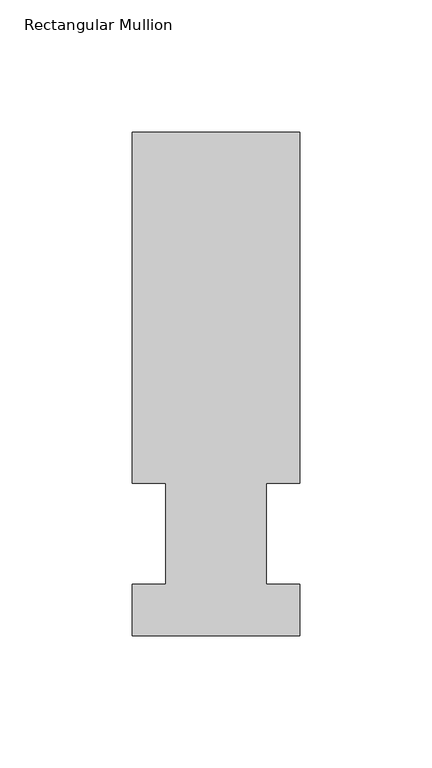
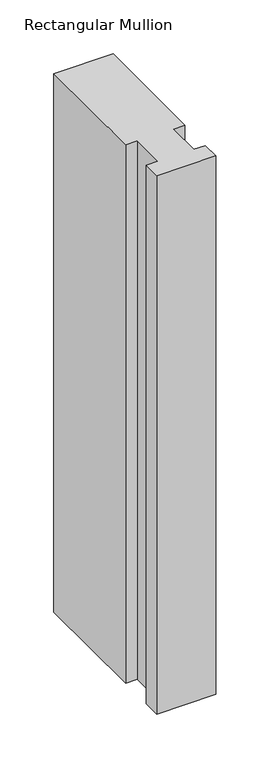
"""IFC4 building model written with IfcOpenShell, lengths in millimetres: member geometry, Rectangular Mullion."""

from ifc_helpers import new_model, si_unit, frame, origin, place, context, project, spatial, polyline, outline, extrude, source, transform, mapped, element, save


def rectangular_mullion_0cfbfd1b(model_context):
    return source(origin(), model_context, "Body", "SweptSolid", [
        extrude(outline(polyline([(-63.5, 190.5896938), (0.0, 190.5896938), (0.0, 57.6460937), (-12.6873, 57.6460937), (-12.6873, 19.5460938), (0.0, 19.5460938), (0.0, 0.0134938), (-63.5, 0.0134938), (-63.5, 19.5460938), (-50.8, 19.5460938), (-50.8, 57.6460937), (-63.5, 57.6460937), (-63.5, 190.5896938)])), frame((0.0, 0.0, -609.6), z_axis=(0.0, 0.0, 1.0), x_axis=(1.0, 0.0, 0.0)), (0.0, 0.0, 1.0), 609.6),
    ])


if __name__ == "__main__":
    model = new_model("IFC4")
    model_context = context("Model", 3, world=origin())
    ifc_project = project(units=[si_unit("LENGTHUNIT", "METRE", prefix="MILLI")], contexts=[model_context])
    site = spatial("IfcSite", under=ifc_project)
    building = spatial("IfcBuilding", under=site)
    placement = place(None, origin())
    rectangular_mullion_shape = rectangular_mullion_0cfbfd1b(model_context)
    element("IfcMember", 1, ObjectType="Rectangular Mullion", at=placement, inside=building, context=model_context, shape_type="MappedRepresentation", body=[
        mapped(rectangular_mullion_shape, transform((0.0, 0.0, 0.0), x_axis=(1.0, 0.0, 0.0), y_axis=(0.0, 1.0, 0.0), z_axis=(0.0, 0.0, 1.0))),
    ])
    save(model, "model.ifc")
